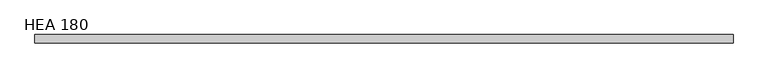
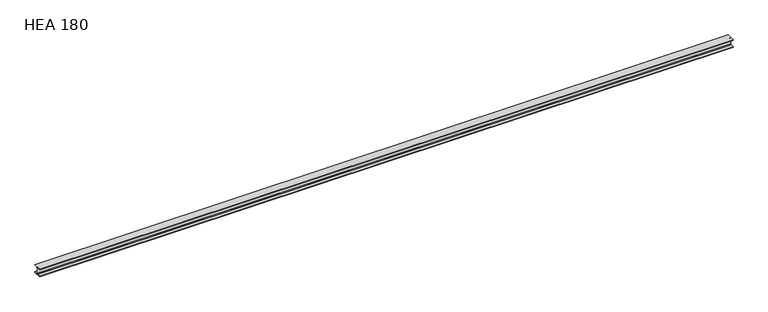
"""IFC4 building model written with IfcOpenShell, lengths in millimetres: beam geometry, HEA 180."""

from ifc_helpers import new_model, si_unit, point, frame, frame_2d, origin, place, context, project, spatial, polyline, circle_curve, trimmed, segment, composite_curve, outline, extrude, source, transform, mapped, element, save


def hea_180_0d5eef1e(model_context):
    return source(origin(), model_context, "Body", "SweptSolid", [
        extrude(outline(composite_curve([segment(polyline([(90.0, -76.5), (90.0, -85.5), (-90.0, -85.5), (-90.0, -76.5), (-18.0, -76.5)]), True, "CONTINUOUS"), segment(trimmed(circle_curve(frame_2d((-18.0, -61.5)), 15.0), [point((-18.0, -76.5))], [point((-3.0, -61.5))], True, "CARTESIAN"), True, "CONTINUOUS"), segment(polyline([(-3.0, -61.5), (-3.0, 61.5)]), True, "CONTINUOUS"), segment(trimmed(circle_curve(frame_2d((-18.0, 61.5)), 15.0), [point((-3.0, 61.5))], [point((-18.0, 76.5))], True, "CARTESIAN"), True, "CONTINUOUS"), segment(polyline([(-18.0, 76.5), (-90.0, 76.5), (-90.0, 85.5), (90.0, 85.5), (90.0, 76.5), (18.0, 76.5)]), True, "CONTINUOUS"), segment(trimmed(circle_curve(frame_2d((18.0, 61.5)), 15.0), [point((18.0, 76.5))], [point((3.0, 61.5))], True, "CARTESIAN"), True, "CONTINUOUS"), segment(polyline([(3.0, 61.5), (3.0, -61.5)]), True, "CONTINUOUS"), segment(trimmed(circle_curve(frame_2d((18.0, -61.5)), 15.0), [point((3.0, -61.5))], [point((18.0, -76.5))], True, "CARTESIAN"), True, "CONTINUOUS"), segment(polyline([(18.0, -76.5), (90.0, -76.5)]), True, "CONTINUOUS")], self_intersect=False)), frame((-7500.0, 0.0, 0.0), z_axis=(1.0, 0.0, 0.0), x_axis=(0.0, 1.0, 0.0)), (0.0, 0.0, 1.0), 15000.0),
    ])


if __name__ == "__main__":
    model = new_model("IFC4")
    model_context = context("Model", 3, world=origin())
    ifc_project = project(units=[si_unit("LENGTHUNIT", "METRE", prefix="MILLI")], contexts=[model_context])
    site = spatial("IfcSite", under=ifc_project)
    building = spatial("IfcBuilding", under=site)
    placement = place(None, origin())
    hea_180_shape = hea_180_0d5eef1e(model_context)
    element("IfcBeam", 1, ObjectType="HEA 180", at=placement, inside=building, context=model_context, shape_type="MappedRepresentation", body=[
        mapped(hea_180_shape, transform((0.0, 0.0, 0.0), x_axis=(1.0, 0.0, 0.0), y_axis=(0.0, 1.0, 0.0), z_axis=(0.0, 0.0, 1.0))),
    ])
    save(model, "model.ifc")
